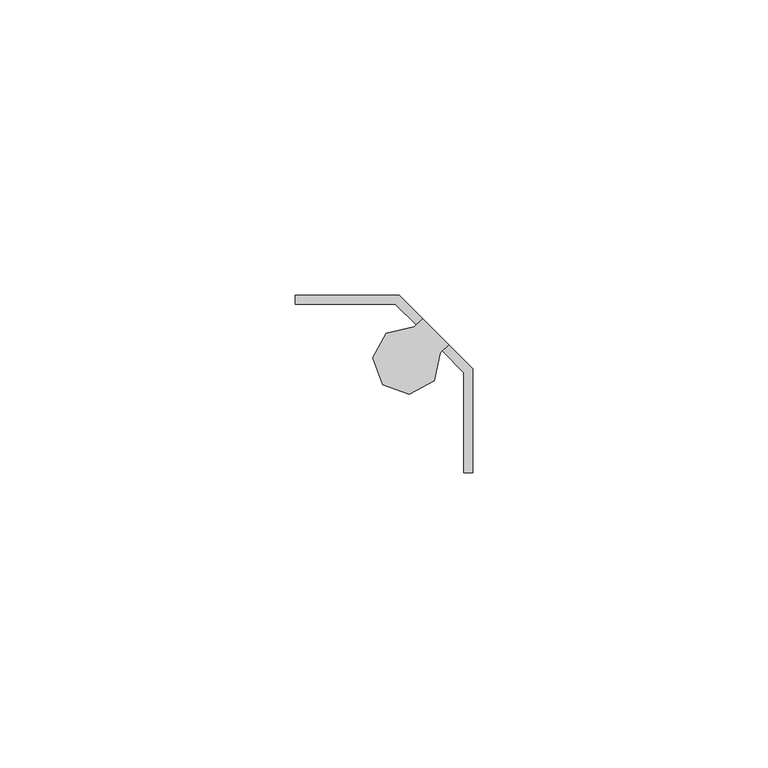
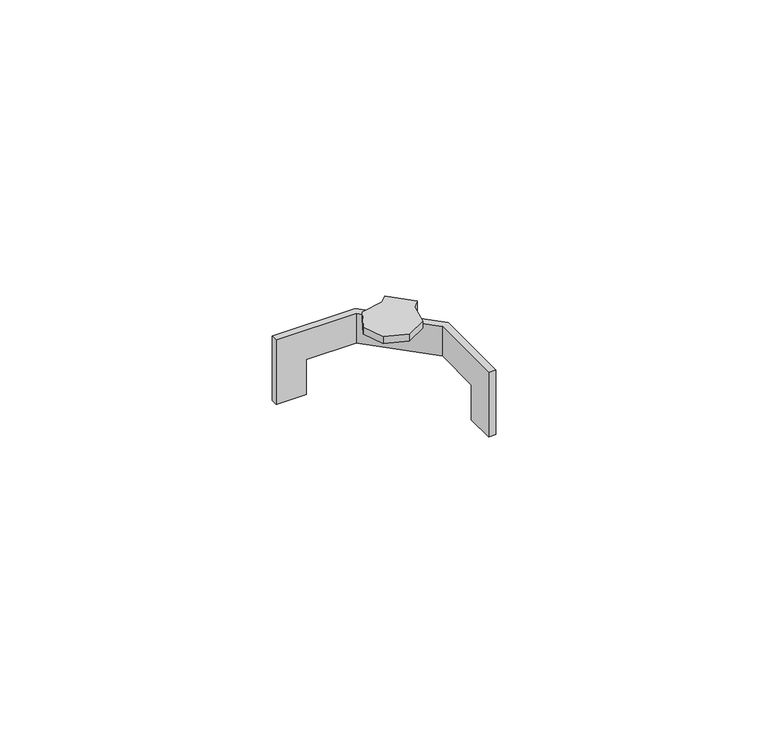
"""IFC4 building model written with IfcOpenShell, lengths in millimetres: furniture geometry."""

from ifc_helpers import new_model, si_unit, origin, place, context, project, spatial, faceted_brep, source, transform, mapped, element, save


def furniture_8f52ac05(model_context):
    return source(origin(), model_context, "Body", "Brep", [
        faceted_brep([(13.4619997, -16.6624005, 1024.636), (11.938, -16.6624005, 1024.636), (11.938, -10.3123997, 1024.636), (13.4619997, -10.3123997, 1024.636), (-16.6624005, 13.4619997, 1024.636), (-10.3123997, 13.4619997, 1024.636), (-10.3123997, 11.938, 1024.636), (-16.6624005, 11.938, 1024.636), (-16.6624005, 11.938, 1039.1140407), (-16.6624005, 13.4619997, 1039.1140407), (-10.3123997, 11.938, 1032.5100107), (0.3126179, 11.938, 1032.5100107), (0.3126179, 11.938, 1039.1140407), (11.938, -16.6624005, 1039.1140407), (11.938, 0.3126179, 1039.1140407), (11.938, 0.3126179, 1032.5100107), (11.938, -10.3123997, 1032.5100107), (13.4619997, -16.6624005, 1039.1140407), (13.4619997, -10.3123997, 1032.5100107), (13.4619997, 0.9438794, 1032.5100107), (13.4619997, 0.9438794, 1039.1140407), (0.9438794, 13.4619997, 1039.1140407), (0.9438794, 13.4619997, 1032.5100107), (-10.3123997, 13.4619997, 1032.5100107), (3.8526658, 8.3979521, 1039.1140407), (4.9302965, 9.4755825, 1039.1140407), (9.3306218, 5.0752572, 1039.1140407), (8.2529914, 3.9976265, 1039.1140407), (8.2529914, 3.9976265, 1041.4000203), (3.8526658, 8.3979521, 1041.4000203), (4.9302965, 9.4755825, 1042.9240552), (9.3306218, 5.0752572, 1042.9240552), (3.5109947, 8.0562811, 1042.9240552), (-1.198128, 7.035436, 1042.9240552), (-3.5048245, 2.804937, 1042.9240552), (-1.8121944, -1.7064898, 1042.9240552), (2.7079737, -3.375636, 1042.9240552), (6.9264196, -1.046971, 1042.9240552), (7.9227626, 3.6673977, 1042.9240552), (3.5109947, 8.0562811, 1041.4000203), (7.9227626, 3.6673977, 1041.4000203), (6.9264196, -1.046971, 1041.4000203), (2.7079737, -3.375636, 1041.4000203), (-1.8121944, -1.7064898, 1041.4000203), (-3.5048245, 2.804937, 1041.4000203), (-1.198128, 7.035436, 1041.4000203)], [[[0, 1, 2, 3]], [[4, 5, 6, 7]], [[4, 7, 8, 9]], [[7, 6, 10, 11, 12, 8]], [[2, 1, 13, 14, 15, 16]], [[1, 0, 17, 13]], [[0, 3, 18, 19, 20, 17]], [[5, 4, 9, 21, 22, 23]], [[6, 5, 23, 10]], [[3, 2, 16, 18]], [[9, 8, 12, 24, 25, 21]], [[14, 13, 17, 20, 26, 27]], [[22, 19, 18, 16, 15, 11, 10, 23]], [[11, 15, 14, 27, 28, 29, 24, 12]], [[19, 22, 21, 25, 30, 31, 26, 20]], [[31, 30, 32, 33, 34, 35, 36, 37, 38]], [[32, 30, 25, 24, 29, 39]], [[31, 38, 40, 28, 27, 26]], [[40, 41, 42, 43, 44, 45, 39, 29, 28]], [[33, 32, 39, 45]], [[34, 33, 45, 44]], [[35, 34, 44, 43]], [[36, 35, 43, 42]], [[37, 36, 42, 41]], [[38, 37, 41, 40]]]),
    ])


if __name__ == "__main__":
    model = new_model("IFC4")
    model_context = context("Model", 3, world=origin())
    ifc_project = project(units=[si_unit("LENGTHUNIT", "METRE", prefix="MILLI")], contexts=[model_context])
    site = spatial("IfcSite", under=ifc_project)
    building = spatial("IfcBuilding", under=site)
    placement = place(None, origin())
    furniture_shape = furniture_8f52ac05(model_context)
    element("IfcFurniture", 1, at=placement, inside=building, context=model_context, shape_type="MappedRepresentation", body=[
        mapped(furniture_shape, transform((0.0, 0.0, 0.0), x_axis=(1.0, 0.0, 0.0), y_axis=(0.0, 1.0, 0.0), z_axis=(0.0, 0.0, 1.0))),
    ])
    save(model, "model.ifc")
